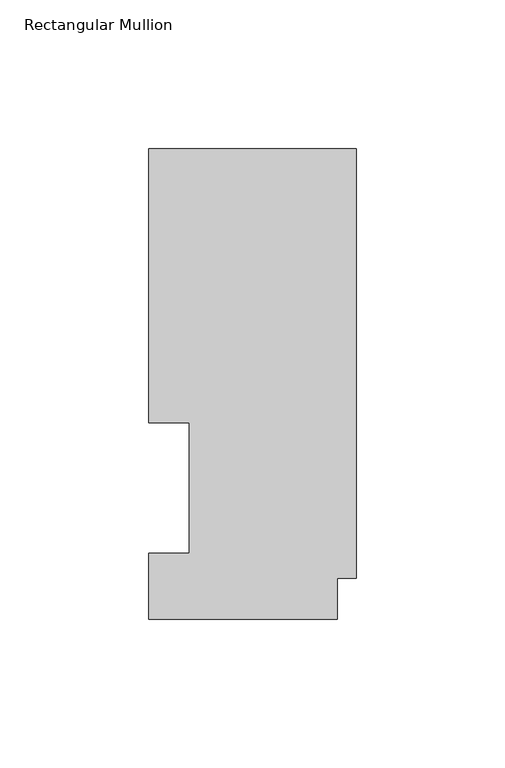
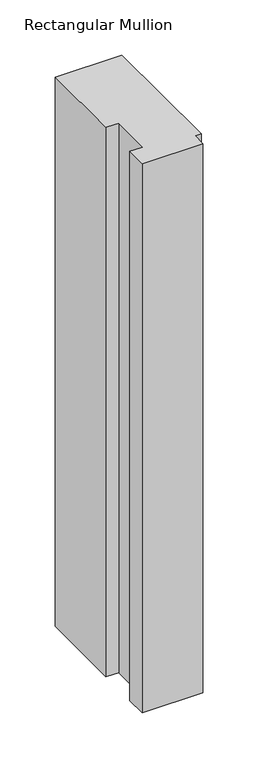
"""IFC4 building model written with IfcOpenShell, lengths in millimetres: member geometry, Rectangular Mullion."""

from ifc_helpers import new_model, si_unit, frame, origin, place, context, project, spatial, polyline, outline, extrude, source, transform, mapped, element, save


def rectangular_mullion_fe34fa24(model_context):
    return source(origin(), model_context, "Body", "SweptSolid", [
        extrude(outline(polyline([(0.0, 158.2308875), (0.0, 13.7556875), (-6.35, 13.7556875), (-6.35, -0.0111125), (-69.85, -0.0111125), (-69.85, 22.1122875), (-56.1848, 22.1122875), (-56.1848, 66.0796875), (-69.85, 66.0796875), (-69.85, 158.2308875), (0.0, 158.2308875)])), frame((0.0, 0.0, -609.6), z_axis=(0.0, 0.0, 1.0), x_axis=(1.0, 0.0, 0.0)), (0.0, 0.0, 1.0), 609.6),
    ])


if __name__ == "__main__":
    model = new_model("IFC4")
    model_context = context("Model", 3, world=origin())
    ifc_project = project(units=[si_unit("LENGTHUNIT", "METRE", prefix="MILLI")], contexts=[model_context])
    site = spatial("IfcSite", under=ifc_project)
    building = spatial("IfcBuilding", under=site)
    placement = place(None, origin())
    rectangular_mullion_shape = rectangular_mullion_fe34fa24(model_context)
    element("IfcMember", 1, ObjectType="Rectangular Mullion", at=placement, inside=building, context=model_context, shape_type="MappedRepresentation", body=[
        mapped(rectangular_mullion_shape, transform((0.0, 0.0, 0.0), x_axis=(1.0, 0.0, 0.0), y_axis=(0.0, 1.0, 0.0), z_axis=(0.0, 0.0, 1.0))),
    ])
    save(model, "model.ifc")
